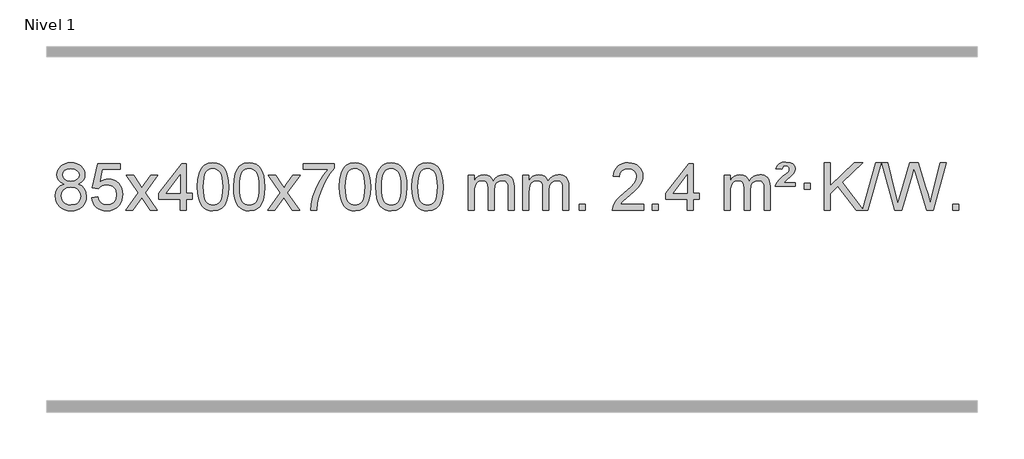
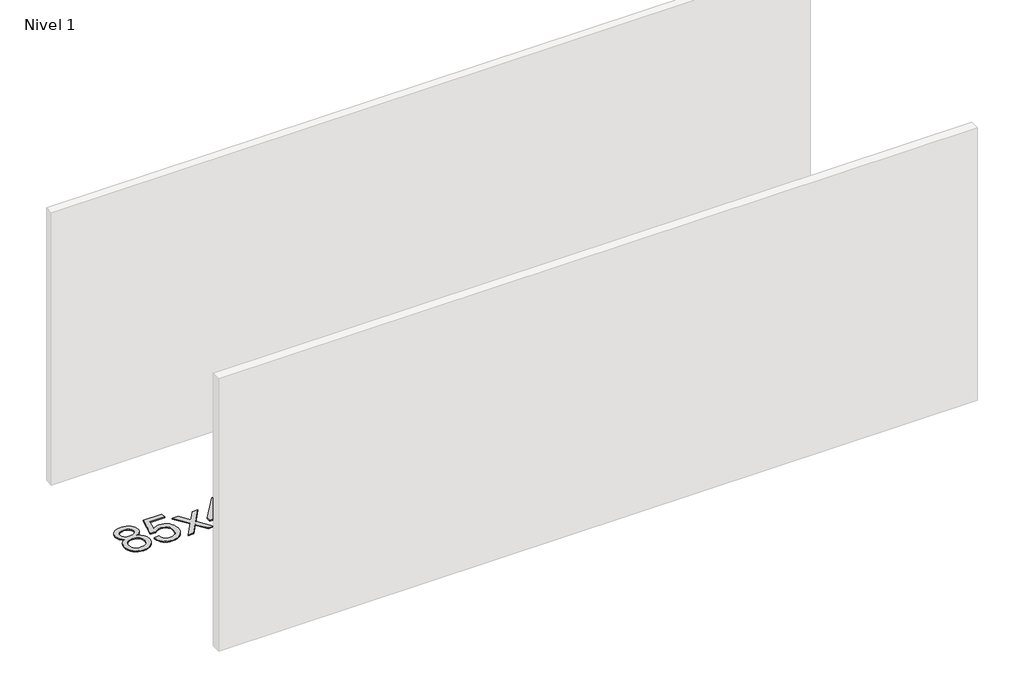
# One storey, part 3 of 12: 1 proxy.
"""IFC4 building model written with IfcOpenShell, lengths in millimetres."""

from ifc_helpers import new_model, si_unit, origin, origin_with_axes, place, context, project, spatial, polyline, outline, extrude, element, save

model = new_model("IFC4")

# Units and contexts
model_context = context("Model", 3, world=origin())
ifc_project = project(units=[si_unit("LENGTHUNIT", "METRE", prefix="MILLI")], contexts=[model_context])

# Site, building, storey
site = spatial("IfcSite", under=ifc_project)
building = spatial("IfcBuilding", under=site)
storey = spatial("IfcBuildingStorey", under=building, Name="Nivel 1", Elevation=0.0)

# Proxy
placement = place(None, origin())
element("IfcBuildingElementProxy", 1, Name="Texto de modelo 1", ObjectType="Texto de modelo 1", at=placement, inside=storey, context=model_context, shape_type="SweptSolid", body=[
    extrude(outline(polyline([(-11482.9857189, -6174.2616447), (-11509.8778927, -6161.0178929), (-11528.7502391, -6143.0652515), (-11539.8970635, -6120.7716026), (-11543.6126717, -6094.5048281), (-11541.5893207, -6074.0199324), (-11535.5192678, -6055.2395565), (-11525.4025129, -6038.1637006), (-11511.2390561, -6022.7923645), (-11493.709479, -6010.088173), (-11473.4943634, -6001.0137504), (-11450.5937092, -5995.5690969), (-11425.0075164, -5993.7542124), (-11399.2986964, -5995.6120165), (-11376.2263639, -6001.1854287), (-11355.7905191, -6010.4744491), (-11337.9911619, -6023.4790776), (-11323.5701876, -6039.1508506), (-11313.2694918, -6056.4413044), (-11307.0890743, -6075.3504389), (-11305.0289351, -6095.8782543), (-11308.6954923, -6121.2989001), (-11319.695164, -6143.2124043), (-11338.1505774, -6161.0546811), (-11364.1843599, -6174.2616447), (-11333.2700096, -6190.1909351), (-11310.7678942, -6213.6495436), (-11297.0458958, -6243.5092989), (-11292.4718963, -6278.6420295), (-11294.740502, -6303.6947933), (-11301.5463189, -6326.6628926), (-11312.8893471, -6347.5463272), (-11328.7695865, -6366.3450971), (-11348.3531714, -6381.88198), (-11370.8062358, -6392.9797536), (-11396.1287798, -6399.6384177), (-11424.3208034, -6401.8579724), (-11452.512827, -6399.6292206), (-11477.835371, -6392.9429654), (-11500.2884354, -6381.7992066), (-11519.8720203, -6366.1979443), (-11535.7522597, -6347.26735), (-11547.0952879, -6326.135595), (-11553.9011048, -6302.8026795), (-11556.1697105, -6277.2686033), (-11551.41177, -6240.7747094), (-11537.1379486, -6210.7555386), (-11514.0840102, -6188.2411605), (-11482.9857189, -6174.2616447)]), holes=[polyline([(-11493.3845166, -6095.9763561), (-11488.9331445, -6117.902123), (-11475.5790281, -6135.413306), (-11453.7145748, -6146.8912243), (-11423.7321922, -6150.717197), (-11394.4487854, -6146.9157497), (-11372.9154259, -6135.5114079), (-11359.6716741, -6118.5888361), (-11355.2570902, -6098.232699), (-11359.8188269, -6077.1040098), (-11373.5040371, -6059.629615), (-11395.3317022, -6047.8941794), (-11424.3208034, -6043.9823675), (-11453.4938456, -6047.8083402), (-11475.2847225, -6059.2862585), (-11488.8595681, -6076.1107284), (-11493.3845166, -6095.9763561)]), polyline([(-11505.9415554, -6275.5027698), (-11503.844628, -6294.7184726), (-11497.5538459, -6313.3210389), (-11485.9410376, -6329.5446349), (-11467.8780316, -6341.623427), (-11446.2465703, -6349.1282197), (-11423.9283959, -6351.6298173), (-11389.7398958, -6346.3691048), (-11375.8462192, -6339.7932141), (-11364.086258, -6330.5869672), (-11348.0466031, -6306.6869002), (-11342.7000514, -6277.0723996), (-11348.2182813, -6246.9551269), (-11364.7729711, -6222.5277625), (-11376.8517633, -6213.0854579), (-11391.0152201, -6206.3409547), (-11425.5961276, -6200.9453521), (-11459.3063811, -6206.2673783), (-11473.043708, -6212.919911), (-11484.7025015, -6222.2334569), (-11500.6317919, -6246.1948375), (-11505.9415554, -6275.5027698)])]), origin_with_axes(), (0.0, 0.0, 1.0), 10.0),
    extrude(outline(polyline([(-11248.5222606, -6288.8446235), (-11198.2941056, -6282.5661041), (-11189.0725302, -6312.7201649), (-11172.9838243, -6334.3148381), (-11150.1015642, -6347.3010725), (-11120.4993263, -6351.6298173), (-11101.3694626, -6350.1245668), (-11084.4959417, -6345.6088153), (-11069.8787638, -6338.0825628), (-11057.5179287, -6327.5458094), (-11047.6893481, -6314.519721), (-11040.6689334, -6299.5254641), (-11035.0526016, -6263.6324441), (-11040.3133141, -6229.8363514), (-11046.8892048, -6215.9181493), (-11056.0954517, -6203.9865099), (-11067.9627117, -6194.4154467), (-11082.5216417, -6187.5789729), (-11119.7145114, -6182.1097939), (-11144.0805622, -6184.2925604), (-11163.8112999, -6190.8408599), (-11179.568912, -6200.8717757), (-11192.0155862, -6213.5023908), (-11242.2437412, -6207.2238715), (-11198.2941056, -6000.0327318), (-11003.6600046, -6000.0327318), (-11003.6600046, -6050.2608869), (-11157.6799333, -6050.2608869), (-11179.1642418, -6160.919791), (-11161.438461, -6148.2155994), (-11143.2834845, -6139.1411769), (-11124.6993124, -6133.6965234), (-11105.6859446, -6131.8816388), (-11081.2248576, -6134.1318504), (-11058.7564648, -6140.882485), (-11038.2807661, -6152.1335427), (-11019.7977615, -6167.8850234), (-11004.4969362, -6187.1743027), (-10993.5677752, -6209.038756), (-10987.0102787, -6233.4783832), (-10984.8244465, -6260.4931844), (-10986.7926152, -6286.5147042), (-10992.6971212, -6310.7213394), (-11002.5379646, -6333.1130902), (-11016.3151453, -6353.6899565), (-11037.1863171, -6374.7634634), (-11061.5401052, -6389.8159684), (-11089.3765095, -6398.8474714), (-11120.69553, -6401.8579724), (-11146.6158823, -6399.9235262), (-11170.0285056, -6394.1201877), (-11190.9334, -6384.447957), (-11209.3305654, -6370.9068338), (-11224.6375221, -6354.1712688), (-11236.2717902, -6334.915712), (-11244.2333697, -6313.1401636), (-11248.5222606, -6288.8446235)])), origin_with_axes(), (0.0, 0.0, 1.0), 10.0),
    extrude(outline(polyline([(-10959.7103689, -6395.579453), (-10852.3869282, -6247.2494325), (-10953.4318496, -6100.4890419), (-10893.0011005, -6100.4890419), (-10844.2444734, -6171.122385), (-10821.4848406, -6204.4770192), (-10801.7663657, -6177.2047007), (-10746.2407099, -6100.4890419), (-10685.8099608, -6100.4890419), (-10791.9561791, -6247.2494325), (-10689.7340354, -6395.579453), (-10750.1647845, -6395.579453), (-10811.6746541, -6306.4048574), (-10822.9563686, -6290.1199477), (-10899.2796199, -6395.579453), (-10959.7103689, -6395.579453)])), origin_with_axes(), (0.0, 0.0, 1.0), 10.0),
    extrude(outline(polyline([(-10495.0999345, -6395.579453), (-10495.0999345, -6301.4016622), (-10677.1769967, -6301.4016622), (-10677.1769967, -6251.1735072), (-10482.5428957, -6000.0327318), (-10444.8717794, -6000.0327318), (-10444.8717794, -6251.1735072), (-10394.6436244, -6251.1735072), (-10394.6436244, -6301.4016622), (-10444.8717794, -6301.4016622), (-10444.8717794, -6395.579453), (-10495.0999345, -6395.579453)]), holes=[polyline([(-10495.0999345, -6251.1735072), (-10495.0999345, -6095.9763561), (-10615.3728215, -6251.1735072), (-10495.0999345, -6251.1735072)])]), origin_with_axes(), (0.0, 0.0, 1.0), 10.0),
    extrude(outline(polyline([(-10350.6939887, -6197.9041943), (-10347.002906, -6133.5861588), (-10335.9296579, -6082.2911459), (-10317.5846091, -6043.2343407), (-10305.7265461, -6028.0009605), (-10292.0781241, -6015.6309284), (-10276.5933578, -6006.0598651), (-10259.2262619, -5999.2233914), (-10218.8450816, -5993.7542124), (-10187.8939431, -5996.991574), (-10160.1801661, -6006.7036586), (-10137.0036004, -6022.5103217), (-10119.6640957, -6044.0314184), (-10106.5674967, -6071.0830078), (-10096.119648, -6103.4811488), (-10089.2770429, -6144.6226186), (-10086.9961745, -6197.9041943), (-10090.650469, -6261.8543477), (-10101.6133525, -6313.0267333), (-10119.8480367, -6352.1203266), (-10131.6785085, -6367.3996922), (-10145.3177335, -6379.8341036), (-10160.8208939, -6389.4695462), (-10178.2431721, -6396.3520052), (-10218.8450816, -6401.8579724), (-10246.5098076, -6399.4667394), (-10271.035274, -6392.2930405), (-10292.4214806, -6380.3368757), (-10310.6684276, -6363.5982449), (-10328.1796106, -6333.3399508), (-10340.6875984, -6295.6381776), (-10348.1923911, -6250.4929255), (-10350.6939887, -6197.9041943)]), holes=[polyline([(-10300.4658336, -6197.8060924), (-10298.9943056, -6241.4706195), (-10294.5797217, -6276.8148822), (-10287.2220818, -6303.8388804), (-10276.9213859, -6322.5426142), (-10264.462449, -6335.2682656), (-10250.630086, -6344.3580165), (-10235.4242968, -6349.8118671), (-10218.8450816, -6351.6298173), (-10202.2658663, -6349.8057357), (-10187.0600772, -6344.3334911), (-10173.2277142, -6335.2130833), (-10160.7687773, -6322.4445124), (-10150.4680814, -6303.7101217), (-10143.1104415, -6276.6922549), (-10138.6958576, -6241.3909118), (-10137.2243296, -6197.8060924), (-10138.6468066, -6155.2973278), (-10142.9142378, -6120.5753989), (-10150.026623, -6093.6403055), (-10159.9839624, -6074.4920476), (-10172.2344328, -6061.1440625), (-10186.2262114, -6051.6097875), (-10201.959298, -6045.8892225), (-10219.4336928, -6043.9823675), (-10235.9270689, -6045.6623619), (-10250.8753406, -6050.7023452), (-10264.278508, -6059.1023175), (-10276.136571, -6070.8622786), (-10286.7806234, -6091.708925), (-10294.3835179, -6119.8151094), (-10298.9452547, -6155.1808319), (-10300.4658336, -6197.8060924)])]), origin_with_axes(), (0.0, 0.0, 1.0), 10.0),
    extrude(outline(polyline([(-10043.0465388, -6197.9041943), (-10039.3554561, -6133.5861588), (-10028.2822081, -6082.2911459), (-10009.9371593, -6043.2343407), (-9998.0790963, -6028.0009605), (-9984.4306743, -6015.6309284), (-9968.945908, -6006.0598651), (-9951.5788121, -5999.2233914), (-9911.1976318, -5993.7542124), (-9880.2464932, -5996.991574), (-9852.5327163, -6006.7036586), (-9829.3561506, -6022.5103217), (-9812.0166459, -6044.0314184), (-9798.9200468, -6071.0830078), (-9788.4721982, -6103.4811488), (-9781.6295931, -6144.6226186), (-9779.3487247, -6197.9041943), (-9783.0030192, -6261.8543477), (-9793.9659026, -6313.0267333), (-9812.2005869, -6352.1203266), (-9824.0310587, -6367.3996922), (-9837.6702837, -6379.8341036), (-9853.1734441, -6389.4695462), (-9870.5957222, -6396.3520052), (-9911.1976318, -6401.8579724), (-9938.8623578, -6399.4667394), (-9963.3878241, -6392.2930405), (-9984.7740308, -6380.3368757), (-10003.0209778, -6363.5982449), (-10020.5321607, -6333.3399508), (-10033.0401486, -6295.6381776), (-10040.5449413, -6250.4929255), (-10043.0465388, -6197.9041943)]), holes=[polyline([(-9992.8183838, -6197.8060924), (-9991.3468558, -6241.4706195), (-9986.9322718, -6276.8148822), (-9979.5746319, -6303.8388804), (-9969.2739361, -6322.5426142), (-9956.8149992, -6335.2682656), (-9942.9826361, -6344.3580165), (-9927.776847, -6349.8118671), (-9911.1976318, -6351.6298173), (-9894.6184165, -6349.8057357), (-9879.4126274, -6344.3334911), (-9865.5802644, -6335.2130833), (-9853.1213275, -6322.4445124), (-9842.8206316, -6303.7101217), (-9835.4629917, -6276.6922549), (-9831.0484077, -6241.3909118), (-9829.5768798, -6197.8060924), (-9830.9993568, -6155.2973278), (-9835.266788, -6120.5753989), (-9842.3791732, -6093.6403055), (-9852.3365125, -6074.4920476), (-9864.586983, -6061.1440625), (-9878.5787615, -6051.6097875), (-9894.3118482, -6045.8892225), (-9911.786243, -6043.9823675), (-9928.2796191, -6045.6623619), (-9943.2278908, -6050.7023452), (-9956.6310582, -6059.1023175), (-9968.4891211, -6070.8622786), (-9979.1331735, -6091.708925), (-9986.7360681, -6119.8151094), (-9991.2978048, -6155.1808319), (-9992.8183838, -6197.8060924)])]), origin_with_axes(), (0.0, 0.0, 1.0), 10.0),
    extrude(outline(polyline([(-9754.2346472, -6395.579453), (-9646.9112064, -6247.2494325), (-9747.9561278, -6100.4890419), (-9687.5253787, -6100.4890419), (-9638.7687516, -6171.122385), (-9616.0091188, -6204.4770192), (-9596.2906439, -6177.2047007), (-9540.7649881, -6100.4890419), (-9480.334239, -6100.4890419), (-9586.4804574, -6247.2494325), (-9484.2583136, -6395.579453), (-9544.6890627, -6395.579453), (-9606.1989323, -6306.4048574), (-9617.4806468, -6290.1199477), (-9693.8038981, -6395.579453), (-9754.2346472, -6395.579453)])), origin_with_axes(), (0.0, 0.0, 1.0), 10.0),
    extrude(outline(polyline([(-9452.8657167, -6050.2608869), (-9452.8657167, -6000.0327318), (-9189.1679026, -6000.0327318), (-9189.1679026, -6040.646904), (-9226.7531797, -6088.214046), (-9263.9705749, -6148.7061088), (-9296.7979116, -6216.6048623), (-9321.2130134, -6286.3920768), (-9333.1814409, -6338.6067947), (-9339.8523678, -6395.579453), (-9390.0805229, -6395.579453), (-9384.6481321, -6343.8061935), (-9370.1167933, -6282.2717985), (-9346.8789139, -6217.0463207), (-9315.3269014, -6154.1998132), (-9278.489651, -6097.3865704), (-9239.3960576, -6050.2608869), (-9452.8657167, -6050.2608869)])), origin_with_axes(), (0.0, 0.0, 1.0), 10.0),
    extrude(outline(polyline([(-9145.2182669, -6197.9041943), (-9141.5271842, -6133.5861588), (-9130.4539361, -6082.2911459), (-9112.1088873, -6043.2343407), (-9100.2508243, -6028.0009605), (-9086.6024023, -6015.6309284), (-9071.117636, -6006.0598651), (-9053.7505401, -5999.2233914), (-9013.3693598, -5993.7542124), (-8982.4182213, -5996.991574), (-8954.7044443, -6006.7036586), (-8931.5278786, -6022.5103217), (-8914.1883739, -6044.0314184), (-8901.0917749, -6071.0830078), (-8890.6439262, -6103.4811488), (-8883.8013211, -6144.6226186), (-8881.5204527, -6197.9041943), (-8885.1747472, -6261.8543477), (-8896.1376307, -6313.0267333), (-8914.3723149, -6352.1203266), (-8926.2027867, -6367.3996922), (-8939.8420117, -6379.8341036), (-8955.3451721, -6389.4695462), (-8972.7674503, -6396.3520052), (-9013.3693598, -6401.8579724), (-9041.0340858, -6399.4667394), (-9065.5595522, -6392.2930405), (-9086.9457588, -6380.3368757), (-9105.1927058, -6363.5982449), (-9122.7038888, -6333.3399508), (-9135.2118766, -6295.6381776), (-9142.7166693, -6250.4929255), (-9145.2182669, -6197.9041943)]), holes=[polyline([(-9094.9901118, -6197.8060924), (-9093.5185838, -6241.4706195), (-9089.1039999, -6276.8148822), (-9081.74636, -6303.8388804), (-9071.4456641, -6322.5426142), (-9058.9867272, -6335.2682656), (-9045.1543642, -6344.3580165), (-9029.9485751, -6349.8118671), (-9013.3693598, -6351.6298173), (-8996.7901446, -6349.8057357), (-8981.5843554, -6344.3334911), (-8967.7519924, -6335.2130833), (-8955.2930555, -6322.4445124), (-8944.9923596, -6303.7101217), (-8937.6347197, -6276.6922549), (-8933.2201358, -6241.3909118), (-8931.7486078, -6197.8060924), (-8933.1710849, -6155.2973278), (-8937.438516, -6120.5753989), (-8944.5509012, -6093.6403055), (-8954.5082406, -6074.4920476), (-8966.758711, -6061.1440625), (-8980.7504896, -6051.6097875), (-8996.4835762, -6045.8892225), (-9013.957971, -6043.9823675), (-9030.4513471, -6045.6623619), (-9045.3996188, -6050.7023452), (-9058.8027862, -6059.1023175), (-9070.6608492, -6070.8622786), (-9081.3049016, -6091.708925), (-9088.9077961, -6119.8151094), (-9093.4695329, -6155.1808319), (-9094.9901118, -6197.8060924)])]), origin_with_axes(), (0.0, 0.0, 1.0), 10.0),
    extrude(outline(polyline([(-8837.570817, -6197.9041943), (-8833.8797344, -6133.5861588), (-8822.8064863, -6082.2911459), (-8804.4614375, -6043.2343407), (-8792.6033745, -6028.0009605), (-8778.9549525, -6015.6309284), (-8763.4701862, -6006.0598651), (-8746.1030903, -5999.2233914), (-8705.72191, -5993.7542124), (-8674.7707714, -5996.991574), (-8647.0569945, -6006.7036586), (-8623.8804288, -6022.5103217), (-8606.5409241, -6044.0314184), (-8593.444325, -6071.0830078), (-8582.9964764, -6103.4811488), (-8576.1538713, -6144.6226186), (-8573.8730029, -6197.9041943), (-8577.5272974, -6261.8543477), (-8588.4901808, -6313.0267333), (-8606.7248651, -6352.1203266), (-8618.5553369, -6367.3996922), (-8632.1945619, -6379.8341036), (-8647.6977223, -6389.4695462), (-8665.1200004, -6396.3520052), (-8705.72191, -6401.8579724), (-8733.386636, -6399.4667394), (-8757.9121024, -6392.2930405), (-8779.298309, -6380.3368757), (-8797.545256, -6363.5982449), (-8815.0564389, -6333.3399508), (-8827.5644268, -6295.6381776), (-8835.0692195, -6250.4929255), (-8837.570817, -6197.9041943)]), holes=[polyline([(-8787.342662, -6197.8060924), (-8785.871134, -6241.4706195), (-8781.45655, -6276.8148822), (-8774.0989101, -6303.8388804), (-8763.7982143, -6322.5426142), (-8751.3392774, -6335.2682656), (-8737.5069144, -6344.3580165), (-8722.3011252, -6349.8118671), (-8705.72191, -6351.6298173), (-8689.1426947, -6349.8057357), (-8673.9369056, -6344.3334911), (-8660.1045426, -6335.2130833), (-8647.6456057, -6322.4445124), (-8637.3449098, -6303.7101217), (-8629.9872699, -6276.6922549), (-8625.572686, -6241.3909118), (-8624.101158, -6197.8060924), (-8625.523635, -6155.2973278), (-8629.7910662, -6120.5753989), (-8636.9034514, -6093.6403055), (-8646.8607907, -6074.4920476), (-8659.1112612, -6061.1440625), (-8673.1030397, -6051.6097875), (-8688.8361264, -6045.8892225), (-8706.3105212, -6043.9823675), (-8722.8038973, -6045.6623619), (-8737.752169, -6050.7023452), (-8751.1553364, -6059.1023175), (-8763.0133993, -6070.8622786), (-8773.6574517, -6091.708925), (-8781.2603463, -6119.8151094), (-8785.8220831, -6155.1808319), (-8787.342662, -6197.8060924)])]), origin_with_axes(), (0.0, 0.0, 1.0), 10.0),
    extrude(outline(polyline([(-8529.9233672, -6197.9041943), (-8526.2322845, -6133.5861588), (-8515.1590365, -6082.2911459), (-8496.8139876, -6043.2343407), (-8484.9559247, -6028.0009605), (-8471.3075026, -6015.6309284), (-8455.8227363, -6006.0598651), (-8438.4556405, -5999.2233914), (-8398.0744601, -5993.7542124), (-8367.1233216, -5996.991574), (-8339.4095446, -6006.7036586), (-8316.2329789, -6022.5103217), (-8298.8934742, -6044.0314184), (-8285.7968752, -6071.0830078), (-8275.3490265, -6103.4811488), (-8268.5064214, -6144.6226186), (-8266.2255531, -6197.9041943), (-8269.8798475, -6261.8543477), (-8280.842731, -6313.0267333), (-8299.0774152, -6352.1203266), (-8310.9078871, -6367.3996922), (-8324.547112, -6379.8341036), (-8340.0502724, -6389.4695462), (-8357.4725506, -6396.3520052), (-8398.0744601, -6401.8579724), (-8425.7391862, -6399.4667394), (-8450.2646525, -6392.2930405), (-8471.6508592, -6380.3368757), (-8489.8978061, -6363.5982449), (-8507.4089891, -6333.3399508), (-8519.9169769, -6295.6381776), (-8527.4217696, -6250.4929255), (-8529.9233672, -6197.9041943)]), holes=[polyline([(-8479.6952121, -6197.8060924), (-8478.2236842, -6241.4706195), (-8473.8091002, -6276.8148822), (-8466.4514603, -6303.8388804), (-8456.1507644, -6322.5426142), (-8443.6918275, -6335.2682656), (-8429.8594645, -6344.3580165), (-8414.6536754, -6349.8118671), (-8398.0744601, -6351.6298173), (-8381.4952449, -6349.8057357), (-8366.2894558, -6344.3334911), (-8352.4570927, -6335.2130833), (-8339.9981558, -6322.4445124), (-8329.69746, -6303.7101217), (-8322.3398201, -6276.6922549), (-8317.9252361, -6241.3909118), (-8316.4537081, -6197.8060924), (-8317.8761852, -6155.2973278), (-8322.1436163, -6120.5753989), (-8329.2560016, -6093.6403055), (-8339.2133409, -6074.4920476), (-8351.4638113, -6061.1440625), (-8365.4555899, -6051.6097875), (-8381.1886766, -6045.8892225), (-8398.6630713, -6043.9823675), (-8415.1564474, -6045.6623619), (-8430.1047192, -6050.7023452), (-8443.5078865, -6059.1023175), (-8455.3659495, -6070.8622786), (-8466.0100019, -6091.708925), (-8473.6128965, -6119.8151094), (-8478.1746332, -6155.1808319), (-8479.6952121, -6197.8060924)])]), origin_with_axes(), (0.0, 0.0, 1.0), 10.0),
    extrude(outline(polyline([(-8052.755894, -6395.579453), (-8052.755894, -6100.4890419), (-8002.5277389, -6100.4890419), (-8002.5277389, -6149.0494653), (-7987.4200517, -6126.7435537), (-7967.9958823, -6109.2691589), (-7944.9174185, -6097.9751816), (-7918.8468478, -6094.2105225), (-7890.9123416, -6098.048758), (-7868.5205908, -6109.5634645), (-7851.7942228, -6127.9943524), (-7840.8558648, -6152.5811324), (-7822.5476041, -6127.0439906), (-7801.6641696, -6108.803175), (-7778.205561, -6097.8586857), (-7752.1717785, -6094.2105225), (-7732.0639617, -6095.7280358), (-7714.414823, -6100.2805755), (-7699.2243623, -6107.8681416), (-7686.4925796, -6118.4907342), (-7676.4279413, -6132.2709806), (-7669.238914, -6149.3315082), (-7664.9254976, -6169.6723168), (-7663.4876922, -6193.2934066), (-7663.4876922, -6395.579453), (-7713.7158472, -6395.579453), (-7713.7158472, -6214.875817), (-7714.8808069, -6189.8230531), (-7718.3756858, -6172.9372695), (-7724.9239854, -6161.3735121), (-7735.2492067, -6152.2868268), (-7748.5297467, -6146.4007149), (-7763.9440023, -6144.4386776), (-7791.1550072, -6149.4663982), (-7813.3382915, -6164.54956), (-7821.9436645, -6176.1194488), (-7828.0903595, -6190.7182326), (-7833.0077155, -6229.0024856), (-7833.0077155, -6395.579453), (-7883.2358706, -6395.579453), (-7883.2358706, -6209.2840106), (-7886.1421384, -6180.8835206), (-7894.8609417, -6160.6254854), (-7910.2016209, -6148.4853796), (-7932.9735164, -6144.4386776), (-7952.3241093, -6147.1364789), (-7970.1541233, -6155.2298828), (-7984.8694032, -6168.5226856), (-7994.8757934, -6186.8186835), (-8000.6147525, -6212.2025411), (-8002.5277389, -6246.7589232), (-8002.5277389, -6395.579453), (-8052.755894, -6395.579453)])), origin_with_axes(), (0.0, 0.0, 1.0), 10.0),
    extrude(outline(polyline([(-7588.1454596, -6395.579453), (-7588.1454596, -6100.4890419), (-7537.9173045, -6100.4890419), (-7537.9173045, -6149.0494653), (-7522.8096172, -6126.7435537), (-7503.3854479, -6109.2691589), (-7480.306984, -6097.9751816), (-7454.2364133, -6094.2105225), (-7426.3019071, -6098.048758), (-7403.9101564, -6109.5634645), (-7387.1837883, -6127.9943524), (-7376.2454303, -6152.5811324), (-7357.9371697, -6127.0439906), (-7337.0537351, -6108.803175), (-7313.5951266, -6097.8586857), (-7287.561344, -6094.2105225), (-7267.4535273, -6095.7280358), (-7249.8043886, -6100.2805755), (-7234.6139279, -6107.8681416), (-7221.8821452, -6118.4907342), (-7211.8175069, -6132.2709806), (-7204.6284796, -6149.3315082), (-7200.3150632, -6169.6723168), (-7198.8772577, -6193.2934066), (-7198.8772577, -6395.579453), (-7249.1054128, -6395.579453), (-7249.1054128, -6214.875817), (-7250.2703724, -6189.8230531), (-7253.7652514, -6172.9372695), (-7260.3135509, -6161.3735121), (-7270.6387722, -6152.2868268), (-7283.9193123, -6146.4007149), (-7299.3335679, -6144.4386776), (-7326.5445728, -6149.4663982), (-7348.7278571, -6164.54956), (-7357.3332301, -6176.1194488), (-7363.4799251, -6190.7182326), (-7368.3972811, -6229.0024856), (-7368.3972811, -6395.579453), (-7418.6254362, -6395.579453), (-7418.6254362, -6209.2840106), (-7421.5317039, -6180.8835206), (-7430.2505072, -6160.6254854), (-7445.5911864, -6148.4853796), (-7468.3630819, -6144.4386776), (-7487.7136749, -6147.1364789), (-7505.5436889, -6155.2298828), (-7520.2589687, -6168.5226856), (-7530.265359, -6186.8186835), (-7536.0043181, -6212.2025411), (-7537.9173045, -6246.7589232), (-7537.9173045, -6395.579453), (-7588.1454596, -6395.579453)])), origin_with_axes(), (0.0, 0.0, 1.0), 10.0),
    extrude(outline(polyline([(-7110.9779863, -6395.579453), (-7110.9779863, -6345.3512979), (-7060.7498313, -6345.3512979), (-7060.7498313, -6395.579453), (-7110.9779863, -6395.579453)])), origin_with_axes(), (0.0, 0.0, 1.0), 10.0),
    extrude(outline(polyline([(-6564.7467999, -6345.3512979), (-6564.7467999, -6395.579453), (-6828.444614, -6395.579453), (-6827.3409681, -6377.8965918), (-6823.0490115, -6360.9494945), (-6810.6636509, -6333.8856424), (-6792.5393313, -6307.6311307), (-6766.3216078, -6280.1503456), (-6729.6560356, -6249.4076736), (-6675.454755, -6201.2641831), (-6642.9339866, -6165.7267824), (-6626.6736024, -6136.884834), (-6621.2534744, -6108.8277005), (-6626.3670341, -6083.6768347), (-6641.7077133, -6062.7688747), (-6665.2889492, -6048.6789943), (-6695.124179, -6043.9823675), (-6726.4554623, -6048.5686297), (-6750.7969876, -6062.3274163), (-6766.5055488, -6084.1796068), (-6771.9379396, -6113.0460807), (-6822.1660947, -6106.7675613), (-6817.8465469, -6080.838012), (-6809.9892006, -6058.1826125), (-6798.5940558, -6038.8013627), (-6783.6611125, -6022.6942627), (-6765.5337272, -6010.0329907), (-6744.5552564, -6000.989225), (-6720.7257002, -5995.5629655), (-6694.0450585, -5993.7542124), (-6667.1252935, -5995.7653006), (-6643.1669785, -6001.7985654), (-6622.1701137, -6011.8540066), (-6604.1346989, -6025.9316242), (-6589.6493453, -6042.9890861), (-6579.3026642, -6061.9840598), (-6573.0946555, -6082.9165453), (-6571.0253193, -6105.7865427), (-6573.2571367, -6129.8092369), (-6579.952589, -6153.4149983), (-6591.8351775, -6177.4254299), (-6609.6284033, -6202.6621347), (-6637.9921051, -6232.7916701), (-6681.5861216, -6271.4805933), (-6739.3681203, -6319.795762), (-6762.0296512, -6345.3512979), (-6564.7467999, -6345.3512979)])), origin_with_axes(), (0.0, 0.0, 1.0), 10.0),
    extrude(outline(polyline([(-6489.4045673, -6395.579453), (-6489.4045673, -6345.3512979), (-6439.1764122, -6345.3512979), (-6439.1764122, -6395.579453), (-6489.4045673, -6395.579453)])), origin_with_axes(), (0.0, 0.0, 1.0), 10.0),
    extrude(outline(polyline([(-6194.3141562, -6395.579453), (-6194.3141562, -6301.4016622), (-6376.3912184, -6301.4016622), (-6376.3912184, -6251.1735072), (-6181.7571175, -6000.0327318), (-6144.0860012, -6000.0327318), (-6144.0860012, -6251.1735072), (-6093.8578461, -6251.1735072), (-6093.8578461, -6301.4016622), (-6144.0860012, -6301.4016622), (-6144.0860012, -6395.579453), (-6194.3141562, -6395.579453)]), holes=[polyline([(-6194.3141562, -6251.1735072), (-6194.3141562, -6095.9763561), (-6314.5870432, -6251.1735072), (-6194.3141562, -6251.1735072)])]), origin_with_axes(), (0.0, 0.0, 1.0), 10.0),
    extrude(outline(polyline([(-5880.388187, -6395.579453), (-5880.388187, -6100.4890419), (-5830.1600319, -6100.4890419), (-5830.1600319, -6149.0494653), (-5815.0523447, -6126.7435537), (-5795.6281753, -6109.2691589), (-5772.5497115, -6097.9751816), (-5746.4791408, -6094.2105225), (-5718.5446346, -6098.048758), (-5696.1528838, -6109.5634645), (-5679.4265158, -6127.9943524), (-5668.4881578, -6152.5811324), (-5650.1798972, -6127.0439906), (-5629.2964626, -6108.803175), (-5605.837854, -6097.8586857), (-5579.8040715, -6094.2105225), (-5559.6962548, -6095.7280358), (-5542.047116, -6100.2805755), (-5526.8566553, -6107.8681416), (-5514.1248726, -6118.4907342), (-5504.0602344, -6132.2709806), (-5496.871207, -6149.3315082), (-5492.5577906, -6169.6723168), (-5491.1199852, -6193.2934066), (-5491.1199852, -6395.579453), (-5541.3481403, -6395.579453), (-5541.3481403, -6214.875817), (-5542.5130999, -6189.8230531), (-5546.0079789, -6172.9372695), (-5552.5562784, -6161.3735121), (-5562.8814997, -6152.2868268), (-5576.1620397, -6146.4007149), (-5591.5762953, -6144.4386776), (-5618.7873002, -6149.4663982), (-5640.9705845, -6164.54956), (-5649.5759576, -6176.1194488), (-5655.7226526, -6190.7182326), (-5660.6400086, -6229.0024856), (-5660.6400086, -6395.579453), (-5710.8681636, -6395.579453), (-5710.8681636, -6209.2840106), (-5713.7744314, -6180.8835206), (-5722.4932347, -6160.6254854), (-5737.8339139, -6148.4853796), (-5760.6058094, -6144.4386776), (-5779.9564023, -6147.1364789), (-5797.7864164, -6155.2298828), (-5812.5016962, -6168.5226856), (-5822.5080864, -6186.8186835), (-5828.2470456, -6212.2025411), (-5830.1600319, -6246.7589232), (-5830.1600319, -6395.579453), (-5880.388187, -6395.579453)])), origin_with_axes(), (0.0, 0.0, 1.0), 10.0),
    extrude(outline(polyline([(-5447.1703495, -6194.6668327), (-5443.3443767, -6178.8479069), (-5435.0057182, -6162.9799302), (-5413.4968842, -6137.8413272), (-5381.5402016, -6110.1030247), (-5337.3943621, -6072.726214), (-5330.2574514, -6061.1992448), (-5327.8784812, -6049.3779701), (-5329.7669421, -6037.2869152), (-5335.4323248, -6027.5012541), (-5344.801053, -6021.026531), (-5357.7995501, -6018.8682899), (-5370.2339616, -6020.4869707), (-5379.0876549, -6025.343013), (-5385.5133271, -6034.8098431), (-5390.663675, -6050.2608869), (-5440.8918301, -6043.9823675), (-5430.051574, -6018.7701881), (-5413.4233078, -6001.2099542), (-5389.6581309, -5990.9092583), (-5357.4071427, -5987.475693), (-5321.6244873, -5991.6082341), (-5296.8782917, -6004.0058573), (-5282.4573175, -6022.3386434), (-5277.6503261, -6044.2766731), (-5281.746079, -6067.1834586), (-5294.0333376, -6088.8149199), (-5314.561153, -6108.6314968), (-5351.0305214, -6136.6886303), (-5376.6351083, -6163.2742358), (-5277.6503261, -6163.2742358), (-5277.6503261, -6194.6668327), (-5447.1703495, -6194.6668327)])), origin_with_axes(), (0.0, 0.0, 1.0), 10.0),
    extrude(outline(polyline([(-5202.3080935, -6219.7809102), (-5202.3080935, -6169.5527552), (-5152.0799384, -6169.5527552), (-5152.0799384, -6219.7809102), (-5202.3080935, -6219.7809102)])), origin_with_axes(), (0.0, 0.0, 1.0), 10.0),
    extrude(outline(polyline([(-4761.4383105, -6395.579453), (-4914.8696279, -6192.9009991), (-4982.559915, -6257.4520265), (-4982.559915, -6395.579453), (-5032.7880701, -6395.579453), (-5032.7880701, -5993.7542124), (-4982.559915, -5993.7542124), (-4982.559915, -6190.4484525), (-4776.5459977, -5993.7542124), (-4706.3050621, -5993.7542124), (-4879.2586508, -6158.9577537), (-4704.6050409, -6389.5349332), (-4593.2917132, -5993.7542124), (-4547.9686514, -5993.7542124), (-4660.9820003, -6395.579453), (-4700.0265428, -6395.579453), (-4706.3050621, -6395.579453), (-4761.4383105, -6395.579453)])), origin_with_axes(), (0.0, 0.0, 1.0), 10.0),
    extrude(outline(polyline([(-4433.4837745, -6395.579453), (-4543.0635581, -5993.7542124), (-4491.2657732, -5993.7542124), (-4427.6957645, -6257.844434), (-4408.0753914, -6339.3670841), (-4387.0815922, -6267.2622131), (-4307.4228775, -5993.7542124), (-4232.7673579, -5993.7542124), (-4174.8872574, -6192.0180823), (-4150.0920109, -6265.5944814), (-4131.8205385, -6339.3670841), (-4112.7887766, -6260.1988788), (-4048.6301566, -5993.7542124), (-3996.8323717, -5993.7542124), (-4106.5102572, -6395.579453), (-4160.1719776, -6395.579453), (-4256.5080094, -6085.5775584), (-4269.9479649, -6042.3146358), (-4285.0556522, -6094.4067263), (-4372.8568217, -6395.579453), (-4433.4837745, -6395.579453)])), origin_with_axes(), (0.0, 0.0, 1.0), 10.0),
    extrude(outline(polyline([(-3940.3256972, -6395.579453), (-3940.3256972, -6345.3512979), (-3890.0975422, -6345.3512979), (-3890.0975422, -6395.579453), (-3940.3256972, -6395.579453)])), origin_with_axes(), (0.0, 0.0, 1.0), 10.0),
])

save(model, "model.ifc")
